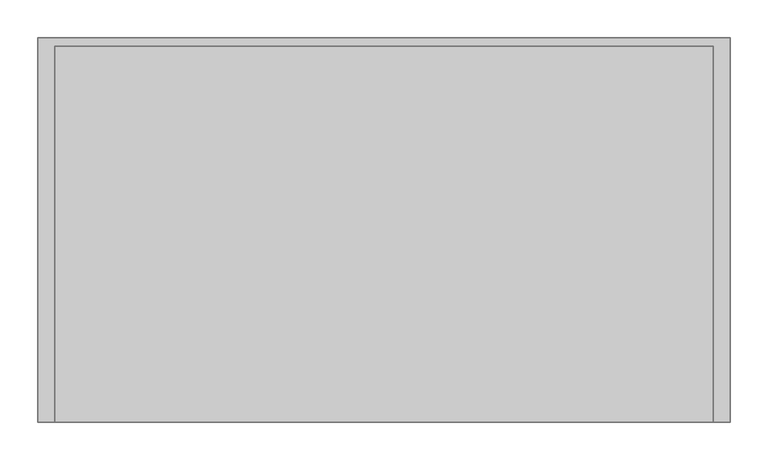
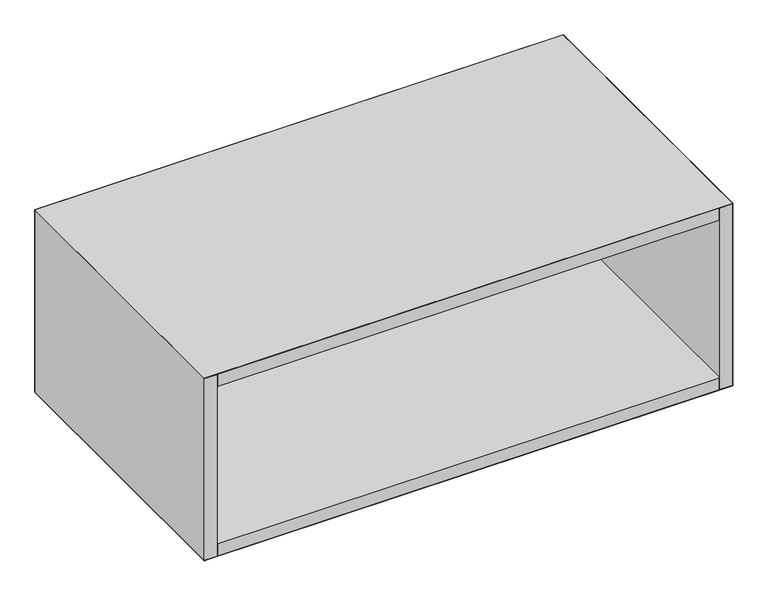
"""IFC4 building model written with IfcOpenShell, lengths in millimetres: furniture geometry."""

import ifcopenshell
import ifcopenshell.guid

model = None  # the IFC model being written
_history = None  # IfcOwnerHistory: only IFC2X3 demands one
_inside = {}  # id of a spatial element -> (the spatial element, [elements in it])
_under = {}  # id of a project, library or spatial element -> (it, [spatial elements below it])
_declared = {}  # id of a project -> (the project, [libraries it declares])
_typed = {}  # id of a type object -> (the type object, [elements of that type])
_made_of = {}  # id of a material, layer set ... -> (it, [elements and type objects made of it])


def new_model(schema):
    """Start an empty IFC model of exactly this schema.

    Asked for "IFC4X3", IfcOpenShell would pick the latest addendum, in which some entities
    have other attributes; the version numbers below select the first issue.
    IFC2X3 requires an IfcOwnerHistory on every rooted entity: one is made here for all.
    """
    global model, _history
    if schema == "IFC4X3":
        model = ifcopenshell.file(schema_version=(4, 3, 0, 0))
    else:
        model = ifcopenshell.file(schema=schema)
    _inside.clear()
    _under.clear()
    _declared.clear()
    _typed.clear()
    _made_of.clear()
    _history = None
    if model.schema == "IFC2X3":
        org = make("IfcOrganization", Name="unknown")
        user = make(
            "IfcPersonAndOrganization",
            ThePerson=make("IfcPerson", FamilyName="unknown"),
            TheOrganization=org,
        )
        app = make(
            "IfcApplication",
            ApplicationDeveloper=org,
            Version="unknown",
            ApplicationFullName="unknown",
            ApplicationIdentifier="unknown",
        )
        _history = make(
            "IfcOwnerHistory",
            OwningUser=user,
            OwningApplication=app,
            ChangeAction="ADDED",
            CreationDate=0,
        )
    return model


def make(cls, **values):
    """One entity of the class cls with the attributes given. An attribute that is None is left unset."""
    return model.create_entity(
        cls, **{name: value for name, value in values.items() if value is not None}
    )


def rooted(cls, **values):
    """An entity with a GlobalId (a new one), such as an element, a storey or a relation."""
    return make(cls, GlobalId=ifcopenshell.guid.new(), OwnerHistory=_history, **values)


def si_unit(unit_type, name, prefix=None):
    """IfcSIUnit, for example si_unit("LENGTHUNIT", "METRE", prefix="MILLI")."""
    return make("IfcSIUnit", UnitType=unit_type, Prefix=prefix, Name=name)


def assignment(units):
    """IfcUnitAssignment: the units of a project."""
    return None if units is None else make("IfcUnitAssignment", Units=units)


def point(xyz):
    """IfcCartesianPoint."""
    return None if xyz is None else make("IfcCartesianPoint", Coordinates=xyz)


def direction(xyz):
    """IfcDirection."""
    return None if xyz is None else make("IfcDirection", DirectionRatios=xyz)


def frame(location, z_axis=None, x_axis=None):
    """IfcAxis2Placement3D, a coordinate frame: its origin and axes. An axis left out is left unset."""
    return make(
        "IfcAxis2Placement3D",
        Location=point(location),
        Axis=direction(z_axis),
        RefDirection=direction(x_axis),
    )


def origin():
    """The frame at (0, 0, 0) with its axes left unset."""
    return frame((0.0, 0.0, 0.0))


def place(relative_to, where):
    """IfcLocalPlacement: puts the frame where relative to a parent placement (None: the world)."""
    return make(
        "IfcLocalPlacement", PlacementRelTo=relative_to, RelativePlacement=where
    )


def context(
    kind, dimensions, precision=None, world=None, true_north=None, identifier=None
):
    """IfcGeometricRepresentationContext, for example the 3D "Model" context."""
    return make(
        "IfcGeometricRepresentationContext",
        ContextIdentifier=identifier,
        ContextType=kind,
        CoordinateSpaceDimension=dimensions,
        Precision=precision,
        WorldCoordinateSystem=world,
        TrueNorth=true_north,
    )


def project(units=None, contexts=None):
    """IfcProject with its units and contexts."""
    return rooted(
        "IfcProject",
        Name="project",
        RepresentationContexts=contexts,
        UnitsInContext=assignment(units),
    )


def spatial(cls, under=None, at=None, **own):
    """A site, building, storey or space (cls), placed at a placement, below another one or the project."""
    s = rooted(cls, ObjectPlacement=at, **own)
    if under is not None:
        _under.setdefault(under.id(), (under, []))[1].append(s)
    return s


def point_list(points):
    """IfcCartesianPointList2D or 3D."""
    cls = (
        "IfcCartesianPointList2D" if len(points[0]) == 2 else "IfcCartesianPointList3D"
    )
    return make(cls, CoordList=points)


def triangles(points, corners, closed=None, point_numbers=None):
    """IfcTriangulatedFaceSet: each triangle names its three corners, points numbered from 1."""
    return make(
        "IfcTriangulatedFaceSet",
        Coordinates=point_list(points),
        Closed=closed,
        CoordIndex=corners,
        PnIndex=point_numbers,
    )


def shape(context_of_items, identifier, shape_type, items):
    """IfcShapeRepresentation: the items that make up one representation, for example the "Body"."""
    return make(
        "IfcShapeRepresentation",
        ContextOfItems=context_of_items,
        RepresentationIdentifier=identifier,
        RepresentationType=shape_type,
        Items=items,
    )


def source(mapping_origin, context_of_items, identifier, shape_type, items):
    """IfcRepresentationMap: a shape defined once, which mapped items show again and again."""
    return make(
        "IfcRepresentationMap",
        MappingOrigin=mapping_origin,
        MappedRepresentation=shape(context_of_items, identifier, shape_type, items),
    )


def transform(
    local_origin,
    x_axis=None,
    y_axis=None,
    z_axis=None,
    scale=None,
    scale2=None,
    scale3=None,
    uniform=True,
):
    """IfcCartesianTransformationOperator3D, or its non-uniform kind. x_axis, y_axis, z_axis: its Axis1, 2, 3."""
    if uniform:
        return make(
            "IfcCartesianTransformationOperator3D",
            Axis1=direction(x_axis),
            Axis2=direction(y_axis),
            LocalOrigin=point(local_origin),
            Scale=scale,
            Axis3=direction(z_axis),
        )
    return make(
        "IfcCartesianTransformationOperator3DnonUniform",
        Axis1=direction(x_axis),
        Axis2=direction(y_axis),
        LocalOrigin=point(local_origin),
        Scale=scale,
        Axis3=direction(z_axis),
        Scale2=scale2,
        Scale3=scale3,
    )


def mapped(mapping_source, mapping_target):
    """IfcMappedItem: shows the shape of a source again, moved by a transform."""
    return make(
        "IfcMappedItem", MappingSource=mapping_source, MappingTarget=mapping_target
    )


def made_of(thing, what):
    """Note that an element or type object is made of a material, layer set ...; save() writes the relation."""
    if what is not None:
        _made_of.setdefault(what.id(), (what, []))[1].append(thing)
    return thing


def element(
    cls,
    number,
    at=None,
    inside=None,
    cuts=None,
    type_object=None,
    material=None,
    context=None,
    identifier="Body",
    shape_type=None,
    held_by="IfcProductDefinitionShape",
    body=None,
    shapes=None,
    **own,
):
    """One element of the class cls, such as IfcWall. Its Tag is "e" and its number.

    at: its placement. inside: the storey or other place that contains it. cuts: it is an
    opening in that element (IfcRelVoidsElement). A single representation is given by context,
    identifier, shape_type and body (its items); several are given by shapes. held_by: the class
    of the entity that holds the representations. save() writes the other relations.
    """
    e = rooted(cls, Tag="e%d" % number, ObjectPlacement=at, **own)
    if body is not None:
        shapes = [shape(context, identifier, shape_type, body)]
    if shapes is not None:
        e.Representation = make(held_by, Representations=shapes)
    if inside is not None:
        _inside.setdefault(inside.id(), (inside, []))[1].append(e)
    if cuts is not None:
        rooted(
            "IfcRelVoidsElement", RelatingBuildingElement=cuts, RelatedOpeningElement=e
        )
    if type_object is not None:
        _typed.setdefault(type_object.id(), (type_object, []))[1].append(e)
    return made_of(e, material)


def aggregate(whole, parts):
    """IfcRelAggregates: a whole, such as a stair, and the parts it consists of."""
    return rooted("IfcRelAggregates", RelatingObject=whole, RelatedObjects=parts)


def save(model, path):
    """Write the relations noted so far, then the file.

    IfcRelAggregates (storeys below a building ...), IfcRelContainedInSpatialStructure (elements
    in a storey), IfcRelDefinesByType, IfcRelAssociatesMaterial and IfcRelDeclares: one each for
    every whole, place, type object, material and project.
    """
    for whole, parts in _under.values():
        aggregate(whole, parts)
    for where, things in _inside.values():
        rooted(
            "IfcRelContainedInSpatialStructure",
            RelatedElements=things,
            RelatingStructure=where,
        )
    for kind, things in _typed.values():
        rooted("IfcRelDefinesByType", RelatedObjects=things, RelatingType=kind)
    for what, things in _made_of.values():
        rooted("IfcRelAssociatesMaterial", RelatedObjects=things, RelatingMaterial=what)
    for by, libraries in _declared.values():
        rooted("IfcRelDeclares", RelatingContext=by, RelatedDefinitions=libraries)
    model.write(path)


def furniture_11054d5f(model_context):
    return source(origin(), model_context, "Body", "Tessellation", [
        triangles([(0.0, -507.9999879, 0.79375), (0.0, -507.9999879, 332.5812621), (0.0, 0.0, 332.5812621), (0.0, 0.0, 0.79375), (22.2249992, -507.9999879, 0.79375), (22.2249992, -507.9999879, 332.5812621), (892.1749758, -507.9999879, 332.5812621), (892.1749758, -507.9999879, 0.79375), (914.4, -507.9999879, 0.79375), (914.4, -507.9999879, 332.5812621), (23.8125, -507.9999879, 332.5812621), (23.8125, -507.9999879, 311.1500121), (890.5875, -507.9999879, 311.1500121), (890.5875, -507.9999879, 332.5812621), (890.5875, -507.9999879, 22.2249992), (23.8125, -507.9999879, 22.2249992), (23.8125, -507.9999879, 0.79375), (890.5875, -507.9999879, 0.79375), (914.4, 0.0, 332.5812621), (914.4, 0.0, 0.79375), (22.2249992, -11.1124996, 22.2249992), (22.2249992, -11.1124996, 311.1500121), (22.2249992, -507.9999879, 311.1500121), (22.2249992, -507.9999879, 22.2249992), (892.1749758, -507.9999879, 22.2249992), (892.1749758, -11.1124996, 22.2249992), (892.1749758, -11.1124996, 311.1500121), (892.1749758, -507.9999879, 311.1500121), (914.4, -507.9999879, 333.375), (914.4, 0.0, 333.375), (0.0, 0.0, 333.375), (0.0, -507.9999879, 333.375), (0.0, 0.0, 0.0), (914.4, 0.0, 0.0), (914.4, -507.9999879, 0.0), (0.0, -507.9999879, 0.0)], [[1, 2, 3], [1, 3, 4], [1, 5, 6], [1, 6, 2], [7, 8, 9], [7, 9, 10], [11, 12, 13], [11, 13, 14], [15, 16, 17], [15, 17, 18], [19, 10, 9], [19, 9, 20], [20, 4, 3], [20, 3, 19], [21, 22, 23], [21, 23, 24], [21, 24, 25], [21, 25, 26], [27, 26, 25], [27, 25, 28], [27, 28, 23], [27, 23, 22], [27, 26, 21], [27, 21, 22], [29, 30, 31], [29, 31, 32], [33, 34, 35], [33, 35, 36]], closed=False),
        triangles([(0.0, -507.9999879, 0.0), (0.0, -507.9999879, 0.79375), (0.0, 0.0, 0.79375), (0.0, 0.0, 0.0), (0.0, 0.0, 332.5812621), (0.0, -507.9999879, 332.5812621), (0.0, -507.9999879, 333.375), (0.0, 0.0, 333.375), (914.4, -507.9999879, 332.5812621), (914.4, -507.9999879, 333.375), (22.2249992, -507.9999879, 311.1500121), (23.8125, -507.9999879, 311.1500121), (23.8125, -507.9999879, 332.5812621), (22.2249992, -507.9999879, 332.5812621), (23.8125, -507.9999879, 0.79375), (23.8125, -507.9999879, 22.2249992), (22.2249992, -507.9999879, 22.2249992), (22.2249992, -507.9999879, 0.79375), (914.4, -507.9999879, 0.79375), (914.4, -507.9999879, 0.0), (892.1749758, -507.9999879, 22.2249992), (890.5875, -507.9999879, 22.2249992), (890.5875, -507.9999879, 0.79375), (892.1749758, -507.9999879, 0.79375), (890.5875, -507.9999879, 332.5812621), (890.5875, -507.9999879, 311.1500121), (892.1749758, -507.9999879, 311.1500121), (892.1749758, -507.9999879, 332.5812621), (914.4, 0.0, 332.5812621), (914.4, 0.0, 333.375), (914.4, 0.0, 0.79375), (914.4, 0.0, 0.0)], [[1, 2, 3], [1, 3, 4], [5, 6, 7], [5, 7, 8], [7, 6, 9], [7, 9, 10], [11, 12, 13], [11, 13, 14], [15, 16, 17], [15, 17, 18], [19, 2, 1], [19, 1, 20], [21, 22, 23], [21, 23, 24], [25, 26, 27], [25, 27, 28], [10, 9, 29], [10, 29, 30], [20, 19, 31], [20, 31, 32], [4, 3, 31], [4, 31, 32], [29, 5, 8], [29, 8, 30]], closed=False),
    ])


if __name__ == "__main__":
    model = new_model("IFC4")
    model_context = context("Model", 3, world=origin())
    ifc_project = project(units=[si_unit("LENGTHUNIT", "METRE", prefix="MILLI")], contexts=[model_context])
    site = spatial("IfcSite", under=ifc_project)
    building = spatial("IfcBuilding", under=site)
    placement = place(None, origin())
    furniture_shape = furniture_11054d5f(model_context)
    element("IfcFurniture", 1, at=placement, inside=building, context=model_context, shape_type="MappedRepresentation", body=[
        mapped(furniture_shape, transform((0.0, 0.0, 0.0), x_axis=(1.0, 0.0, 0.0), y_axis=(0.0, 1.0, 0.0), z_axis=(0.0, 0.0, 1.0))),
    ])
    save(model, "model.ifc")
